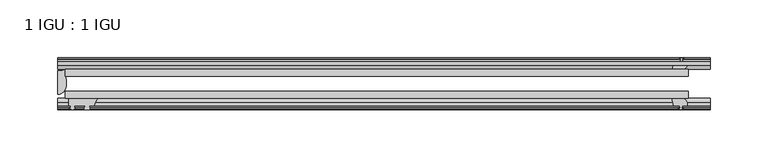
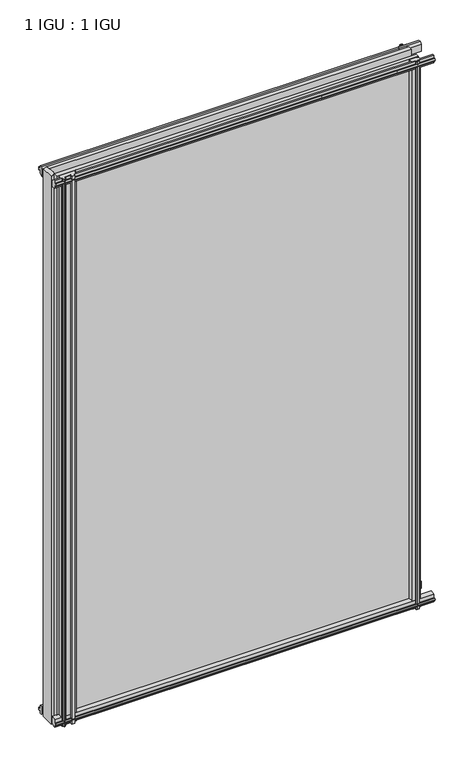
"""IFC4 building model written with IfcOpenShell, lengths in millimetres: plate geometry, 1 IGU : 1 IGU."""

from ifc_helpers import new_model, si_unit, point, frame, frame_2d, origin, place, context, project, spatial, polyline, circle_curve, ellipse_curve, trimmed, segment, composite_curve, outline, extrude, source, transform, mapped, element, save
from ifc_brep_helpers import plane_surface, cylinder_surface, revolved_surface, extruded_surface, advanced_brep


def plate_1_igu_1_igu_d2ecf03b(model_context):
    return source(origin(), model_context, "Body", "SolidModel", [
        extrude(outline(polyline([(-276.1995836, -38.6468937), (263.4995836, -38.6468937), (263.4995836, -44.9460938), (-276.1995836, -44.9460938), (-276.1995836, -38.6468937)])), frame((0.0, 0.0, -12.7), z_axis=(0.0, 0.0, 1.0), x_axis=(1.0, 0.0, 0.0)), (0.0, 0.0, 1.0), 863.5872996),
        extrude(outline(polyline([(-276.1995836, -19.5460937), (263.4995836, -19.5460937), (263.4995836, -25.8960938), (-276.1995836, -25.8960938), (-276.1995836, -19.5460937)])), frame((0.0, 0.0, -12.7), z_axis=(0.0, 0.0, 1.0), x_axis=(1.0, 0.0, 0.0)), (0.0, 0.0, 1.0), 863.5872996),
        advanced_brep(
        [(-282.5495836, -21.1706006, -12.7), (-276.2009717, -19.5461438, -12.7), (-276.2009717, -25.8549351, -12.7), (-275.0256204, -32.21431, -12.7), (-282.5495836, -41.5384043, -12.7), (-282.5495836, -21.1706006, 850.8872996), (-282.5495836, -41.5384043, 850.8872996), (-275.0256204, -32.21431, 850.8872996), (-276.2009717, -25.8549351, 850.8872996), (-276.2009717, -19.5461438, 850.8872996)],
        [
            (0, 1, circle_curve(frame((-282.550153, -7.9505008, -12.7), z_axis=(0.0, 0.0, 1.0), x_axis=(1.0, 0.0, 0.0)), 13.2200998)),
            (1, 2),
            (2, 3, circle_curve(frame((-293.0879847, -32.2643264, -12.7), z_axis=(0.0, 0.0, -1.0), x_axis=(1.0, 0.0, 0.0)), 18.0624336)),
            (3, 4, ellipse_curve(frame((-282.5487506, -32.2460921, -12.7), z_axis=(0.0, 0.0, -1.0), x_axis=(0.0, -1.0, 0.0)), 9.2923123, 7.5231742)),
            (4, 0),
            (5, 6),
            (6, 7, ellipse_curve(frame((-282.5487506, -32.2460921, 850.8872996), z_axis=(0.0, 0.0, 1.0), x_axis=(0.0, -1.0, 0.0)), 9.2923123, 7.5231742)),
            (7, 8, circle_curve(frame((-293.0879847, -32.2643264, 850.8872996), z_axis=(0.0, 0.0, 1.0), x_axis=(1.0, 0.0, 0.0)), 18.0624336)),
            (8, 9),
            (9, 5, circle_curve(frame((-282.550153, -7.9505008, 850.8872996), z_axis=(0.0, 0.0, -1.0), x_axis=(1.0, 0.0, 0.0)), 13.2200998)),
            (0, 5),
            (9, 1),
            (8, 2),
            (7, 3),
            (6, 4),
        ],
        [
            plane_surface(frame((-282.5495836, -13.1960937, -12.7), z_axis=(0.0, 0.0, -1.0), x_axis=(0.0, 1.0, 0.0))),
            plane_surface(frame((-282.5495836, -13.1960937, 850.8872996), z_axis=(0.0, 0.0, 1.0), x_axis=(0.0, 1.0, 0.0))),
            revolved_surface(polyline([(-269.3300532, -7.9505008, 850.8872996), (-269.3300532, -7.9505008, -12.7)]), (-282.550153, -7.9505008, -12.7), (0.0, 0.0, 1.0)),
            plane_surface(frame((-276.2009717, -19.5461438, -12.7), z_axis=(1.0, 0.0, 0.0), x_axis=(0.0, 0.0, 1.0))),
            cylinder_surface(frame((-293.0879847, -32.2643264, -12.7), z_axis=(0.0, 0.0, -1.0), x_axis=(1.0, 0.0, 0.0)), 18.0624336),
            extruded_surface(trimmed(ellipse_curve(frame((-282.5487506, -32.2460921, 850.8872996), z_axis=(0.0, 0.0, -1.0), x_axis=(0.0, -1.0, 0.0)), 9.2923123, 7.5231742), [point((-275.0256204, -32.21431, 850.8872996))], [point((-282.5495836, -41.5384043, 850.8872996))], True, "CARTESIAN"), (0.0, 0.0, -863.5872996), 863.5872996),
            plane_surface(frame((-282.5495836, -41.5384043, -12.7), z_axis=(-1.0, 0.0, 0.0), x_axis=(0.0, 0.0, 1.0))),
        ],
        [
            (0, [[1, 2, 3, 4, 5]]),
            (1, [[6, 7, 8, 9, 10]]),
            (2, [[-1, 11, -10, 12]]),
            (3, [[-2, -12, -9, 13]]),
            (4, [[-3, -13, -8, 14]]),
            (5, [[-4, -14, -7, 15]]),
            (6, [[-5, -15, -6, -11]]),
        ],
    ),
        extrude(outline(polyline([(-44.9460937, 1.7177181), (-44.9460937, -9.1036578), (-48.3496937, -11.938), (-51.2960937, -11.938), (-51.2960937, -7.493), (-53.6762907, -7.112), (-53.2163575, -8.5275291), (-54.0175717, -8.5275291), (-54.7250937, -6.35), (-54.0175717, -4.1724709), (-53.2163575, -4.1724709), (-53.6762907, -5.588), (-51.2960937, -5.207), (-51.2960937, 0.0), (-44.9460937, 1.7177181)])), frame((-282.5495836, 0.0, 0.0), z_axis=(1.0, 0.0, 0.0), x_axis=(0.0, 1.0, 0.0)), (0.0, 0.0, 1.0), 565.0991671),
        extrude(outline(polyline([(-13.1960937, -12.4587), (-16.1424937, -12.4587), (-19.5460937, -9.6243578), (-19.5460937, 1.1970181), (-13.1960937, -0.5207), (-13.1960937, -5.7277), (-10.8158968, -6.1087), (-11.27583, -4.6931709), (-10.4746158, -4.6931709), (-9.7670937, -6.8707), (-10.4746158, -9.0482291), (-11.27583, -9.0482291), (-10.8158968, -7.6327), (-13.1960937, -8.0137), (-13.1960937, -12.4587)])), frame((-282.5495836, 0.0, 0.0), z_axis=(1.0, 0.0, 0.0), x_axis=(0.0, 1.0, 0.0)), (0.0, 0.0, 1.0), 565.0991671),
        extrude(outline(polyline([(-51.2960937, 850.1252996), (-48.3496937, 850.1252996), (-44.9460937, 847.2909574), (-44.9460937, 836.4695815), (-51.2960937, 838.1872996), (-51.2960937, 843.3942996), (-53.6762907, 843.7752996), (-53.2163575, 842.3597706), (-54.0175717, 842.3597706), (-54.7250937, 844.5372996), (-54.0175717, 846.7148287), (-53.2163575, 846.7148287), (-53.6762907, 845.2992996), (-51.2960937, 845.6802996), (-51.2960937, 850.1252996)])), frame((-282.5495836, 0.0, 0.0), z_axis=(1.0, 0.0, 0.0), x_axis=(0.0, 1.0, 0.0)), (0.0, 0.0, 1.0), 565.0991671),
        extrude(outline(polyline([(-19.5460937, 836.9902815), (-19.5460937, 847.8116574), (-16.1424937, 850.6459996), (-13.1960937, 850.6459996), (-13.1960937, 846.2009996), (-10.8158968, 845.8199996), (-11.27583, 847.2355287), (-10.4746158, 847.2355287), (-9.7670937, 845.0579996), (-10.4746158, 842.8804706), (-11.27583, 842.8804706), (-10.8158968, 844.2959996), (-13.1960937, 843.9149996), (-13.1960937, 838.7079996), (-19.5460937, 836.9902815)])), frame((-282.5495836, 0.0, 0.0), z_axis=(1.0, 0.0, 0.0), x_axis=(0.0, 1.0, 0.0)), (0.0, 0.0, 1.0), 565.0991671),
        extrude(outline(composite_curve([segment(trimmed(circle_curve(frame_2d((-241.7836522, -51.9750196)), 9.0414579), [point((-247.4706692, -44.9460938))], [point((-250.7995837, -51.2960938))], True, "CARTESIAN"), True, "CONTINUOUS"), segment(polyline([(-250.7995837, -51.2960938), (-255.0413837, -51.2960938)]), True, "CONTINUOUS"), segment(trimmed(circle_curve(frame_2d((-255.0413837, -51.7532938)), 0.4572), [point((-255.0413837, -51.2960938))], [point((-255.3802016, -52.0602698))], True, "CARTESIAN"), True, "CONTINUOUS"), segment(trimmed(circle_curve(frame_2d((-257.1495837, -53.663367)), 2.3876), [point((-255.3802016, -52.0602698))], [point((-255.0789407, -54.8520938))], False, "CARTESIAN"), True, "CONTINUOUS"), segment(polyline([(-255.0789407, -54.8520938), (-259.2202267, -54.8520938)]), True, "CONTINUOUS"), segment(trimmed(circle_curve(frame_2d((-257.1495837, -53.663367)), 2.3876), [point((-259.2202267, -54.8520938))], [point((-258.9189659, -52.0602698))], False, "CARTESIAN"), True, "CONTINUOUS"), segment(trimmed(circle_curve(frame_2d((-259.2577837, -51.7532938)), 0.4572), [point((-258.9189659, -52.0602698))], [point((-259.2577837, -51.2960938))], True, "CARTESIAN"), True, "CONTINUOUS"), segment(polyline([(-259.2577837, -51.2960938), (-268.3255837, -51.2960938), (-268.3255837, -52.9470938), (-267.247953, -52.9470938)]), True, "CONTINUOUS"), segment(trimmed(circle_curve(frame_2d((-268.3255837, -52.9470938)), 1.0776307), [point((-267.247953, -52.9470938))], [point((-267.5635837, -53.7090938))], False, "CARTESIAN"), True, "CONTINUOUS"), segment(polyline([(-267.5635837, -53.7090938), (-269.3028761, -54.8194621)]), True, "CONTINUOUS"), segment(trimmed(circle_curve(frame_2d((-269.8495837, -53.9630938)), 1.016), [point((-269.3028761, -54.8194621))], [point((-270.3962913, -54.8194621))], False, "CARTESIAN"), True, "CONTINUOUS"), segment(polyline([(-270.3962913, -54.8194621), (-272.1355837, -53.7090938)]), True, "CONTINUOUS"), segment(trimmed(circle_curve(frame_2d((-271.3735837, -52.9470938)), 1.0776307), [point((-272.1355837, -53.7090938))], [point((-272.4512144, -52.9470938))], False, "CARTESIAN"), True, "CONTINUOUS"), segment(polyline([(-272.4512144, -52.9470938), (-271.3735837, -52.9470938), (-271.3735837, -51.2960938), (-273.0245837, -51.2960938), (-273.0245837, -44.9460938), (-247.4706692, -44.9460938)]), True, "CONTINUOUS")], self_intersect=False)), frame((0.0, 0.0, -12.7), z_axis=(0.0, 0.0, 1.0), x_axis=(1.0, 0.0, 0.0)), (0.0, 0.0, 1.0), 863.5872998),
        extrude(outline(polyline([(249.6025655, -19.5460938), (251.3202836, -13.1960938), (256.5272836, -13.1960938), (256.9082836, -10.8158968), (255.4927545, -11.27583), (255.4927545, -10.4746158), (257.6702836, -9.7670938), (259.8478126, -10.4746158), (259.8478126, -11.27583), (258.4322836, -10.8158968), (258.8132836, -13.1960938), (263.2582836, -13.1960938), (263.2582836, -16.1424938), (260.4239414, -19.5460938), (249.6025655, -19.5460938)])), frame((0.0, 0.0, -12.7), z_axis=(0.0, 0.0, 1.0), x_axis=(1.0, 0.0, 0.0)), (0.0, 0.0, 1.0), 863.5872998),
        extrude(outline(polyline([(249.0818655, -44.9460938), (259.9032414, -44.9460938), (262.7375836, -48.3496938), (262.7375836, -51.2960938), (258.2925836, -51.2960938), (257.9115836, -53.6762907), (259.3271126, -53.2163575), (259.3271126, -54.0175717), (257.1495836, -54.7250938), (254.9720545, -54.0175717), (254.9720545, -53.2163575), (256.3875836, -53.6762907), (256.0065836, -51.2960938), (250.7995836, -51.2960938), (249.0818655, -44.9460938)])), frame((0.0, 0.0, -12.7), z_axis=(0.0, 0.0, 1.0), x_axis=(1.0, 0.0, 0.0)), (0.0, 0.0, 1.0), 863.5872998),
    ])


if __name__ == "__main__":
    model = new_model("IFC4")
    model_context = context("Model", 3, world=origin())
    ifc_project = project(units=[si_unit("LENGTHUNIT", "METRE", prefix="MILLI")], contexts=[model_context])
    site = spatial("IfcSite", under=ifc_project)
    building = spatial("IfcBuilding", under=site)
    placement = place(None, origin())
    plate_1_igu_1_igu_shape = plate_1_igu_1_igu_d2ecf03b(model_context)
    element("IfcPlate", 1, ObjectType="1 IGU : 1 IGU", at=placement, inside=building, context=model_context, shape_type="MappedRepresentation", body=[
        mapped(plate_1_igu_1_igu_shape, transform((0.0, 0.0, 0.0), x_axis=(1.0, 0.0, 0.0), y_axis=(0.0, 1.0, 0.0), z_axis=(0.0, 0.0, 1.0))),
    ])
    save(model, "model.ifc")
